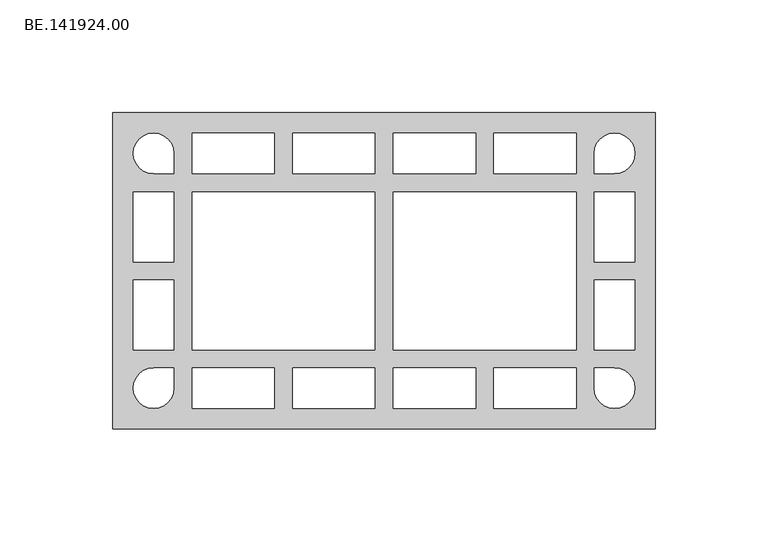
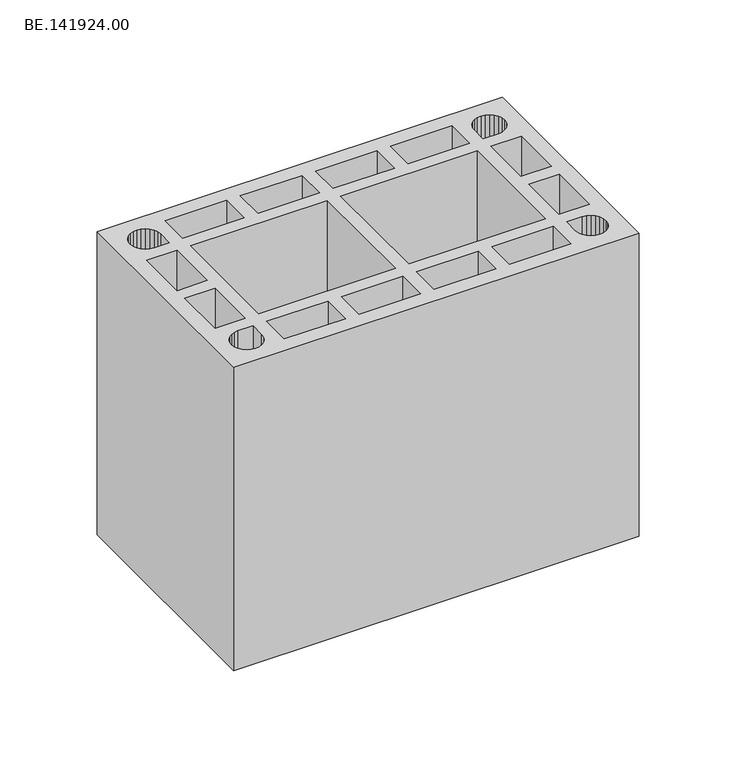
"""IFC4 building model written with IfcOpenShell, lengths in millimetres: proxy geometry, BE.141924.00."""

from ifc_helpers import new_model, si_unit, origin, origin_with_axes, place, context, project, spatial, polyline, outline, extrude, source, transform, mapped, element, save


def be_141924_00_50f4015a(model_context):
    return source(origin(), model_context, "Body", "SweptSolid", [
        extrude(outline(polyline([(245.0, 70.0050293), (245.0, -70.0050293), (5.0, -70.0050293), (5.0, 70.0050293), (245.0, 70.0050293)]), holes=[polyline([(23.0082031, 42.9927246), (32.0123047, 42.9927246), (32.0123047, 51.9968262), (31.6960449, 54.3222656), (30.8030762, 56.4802734), (29.3706055, 58.3592285), (27.5102539, 59.7916992), (25.3336426, 60.684668), (23.0082031, 60.9823242), (20.6827637, 60.684668), (18.5061523, 59.7916992), (16.6458008, 58.3592285), (15.2133301, 56.4802734), (14.3203613, 54.3222656), (14.0041016, 51.9968262), (14.3203613, 49.6527832), (15.2133301, 47.4947754), (16.6458008, 45.6344238), (18.5061523, 44.2019531), (20.6827637, 43.2903809), (23.0082031, 42.9927246)]), polyline([(32.0123047, -35.0118164), (32.0123047, -4.0183594), (14.0041016, -4.0183594), (14.0041016, -35.0118164), (32.0123047, -35.0118164)]), polyline([(32.0123047, -52.0154297), (32.0123047, -43.0113281), (23.0082031, -43.0113281), (20.6827637, -43.3089844), (18.5061523, -44.2205566), (16.6458008, -45.6530273), (15.2133301, -47.5133789), (14.3203613, -49.6899902), (14.0041016, -52.0154297), (14.3203613, -54.3408691), (15.2133301, -56.5174805), (16.6458008, -58.377832), (18.5061523, -59.8103027), (20.6827637, -60.7032715), (23.0082031, -61.0195312), (25.3336426, -60.7032715), (27.5102539, -59.8103027), (29.3706055, -58.377832), (30.8030762, -56.5174805), (31.6960449, -54.3408691), (32.0123047, -52.0154297)]), polyline([(121.0115234, -43.0113281), (84.5114258, -43.0113281), (84.5114258, -61.0195312), (121.0115234, -61.0195312), (121.0115234, -43.0113281)]), polyline([(210.0107422, -43.0113281), (173.5106445, -43.0113281), (173.5106445, -61.0195312), (210.0107422, -61.0195312), (210.0107422, -43.0113281)]), polyline([(235.9998535, -35.0118164), (235.9998535, -4.0183594), (218.0102539, -4.0183594), (218.0102539, -35.0118164), (235.9998535, -35.0118164)]), polyline([(218.0102539, 34.9932129), (218.0102539, 3.9811523), (235.9998535, 3.9811523), (235.9998535, 34.9932129), (218.0102539, 34.9932129)]), polyline([(218.0102539, 42.9927246), (227.0143555, 42.9927246), (229.3397949, 43.2903809), (231.4978027, 44.2019531), (233.3767578, 45.6344238), (234.8092285, 47.4947754), (235.7021973, 49.6527832), (235.9998535, 51.9968262), (235.7021973, 54.3222656), (234.8092285, 56.4802734), (233.3767578, 58.3592285), (231.4978027, 59.7916992), (229.3397949, 60.684668), (227.0143555, 60.9823242), (224.6703125, 60.684668), (222.5123047, 59.7916992), (220.6333496, 58.3592285), (219.2194824, 56.4802734), (218.3079102, 54.3222656), (218.0102539, 51.9968262), (218.0102539, 42.9927246)]), polyline([(218.3079102, -54.3408691), (219.2194824, -56.5174805), (220.6333496, -58.377832), (222.5123047, -59.8103027), (224.6703125, -60.7032715), (227.0143555, -61.0195312), (229.3397949, -60.7032715), (231.4978027, -59.8103027), (233.3767578, -58.377832), (234.8092285, -56.5174805), (235.7021973, -54.3408691), (235.9998535, -52.0154297), (235.7021973, -49.6899902), (234.8092285, -47.5133789), (233.3767578, -45.6530273), (231.4978027, -44.2205566), (229.3397949, -43.3089844), (227.0143555, -43.0113281), (218.0102539, -43.0113281), (218.0102539, -52.0154297), (218.3079102, -54.3408691)]), polyline([(173.5106445, 42.9927246), (210.0107422, 42.9927246), (210.0107422, 60.9823242), (173.5106445, 60.9823242), (173.5106445, 42.9927246)]), polyline([(129.0110352, 42.9927246), (165.5111328, 42.9927246), (165.5111328, 60.9823242), (129.0110352, 60.9823242), (129.0110352, 42.9927246)]), polyline([(84.5114258, 42.9927246), (121.0115234, 42.9927246), (121.0115234, 60.9823242), (84.5114258, 60.9823242), (84.5114258, 42.9927246)]), polyline([(40.0118164, 42.9927246), (76.5119141, 42.9927246), (76.5119141, 60.9823242), (40.0118164, 60.9823242), (40.0118164, 42.9927246)]), polyline([(32.0123047, 34.9932129), (14.0041016, 34.9932129), (14.0041016, 3.9811523), (32.0123047, 3.9811523), (32.0123047, 34.9932129)]), polyline([(121.0115234, 34.9932129), (40.0118164, 34.9932129), (40.0118164, -35.0118164), (121.0115234, -35.0118164), (121.0115234, 34.9932129)]), polyline([(210.0107422, -35.0118164), (210.0107422, 34.9932129), (129.0110352, 34.9932129), (129.0110352, -35.0118164), (210.0107422, -35.0118164)]), polyline([(165.5111328, -43.0113281), (129.0110352, -43.0113281), (129.0110352, -61.0195312), (165.5111328, -61.0195312), (165.5111328, -43.0113281)]), polyline([(40.0118164, -61.0195312), (76.5119141, -61.0195312), (76.5119141, -43.0113281), (40.0118164, -43.0113281), (40.0118164, -61.0195312)])]), origin_with_axes(), (0.0, 0.0, 1.0), 190.0),
    ])


if __name__ == "__main__":
    model = new_model("IFC4")
    model_context = context("Model", 3, world=origin())
    ifc_project = project(units=[si_unit("LENGTHUNIT", "METRE", prefix="MILLI")], contexts=[model_context])
    site = spatial("IfcSite", under=ifc_project)
    building = spatial("IfcBuilding", under=site)
    placement = place(None, origin())
    be_141924_00_shape = be_141924_00_50f4015a(model_context)
    element("IfcBuildingElementProxy", 1, Name="BE.141924.00", ObjectType="BE.141924.00", at=placement, inside=building, context=model_context, shape_type="MappedRepresentation", body=[
        mapped(be_141924_00_shape, transform((0.0, 0.0, 0.0), x_axis=(1.0, 0.0, 0.0), y_axis=(0.0, 1.0, 0.0), z_axis=(0.0, 0.0, 1.0))),
    ])
    save(model, "model.ifc")
